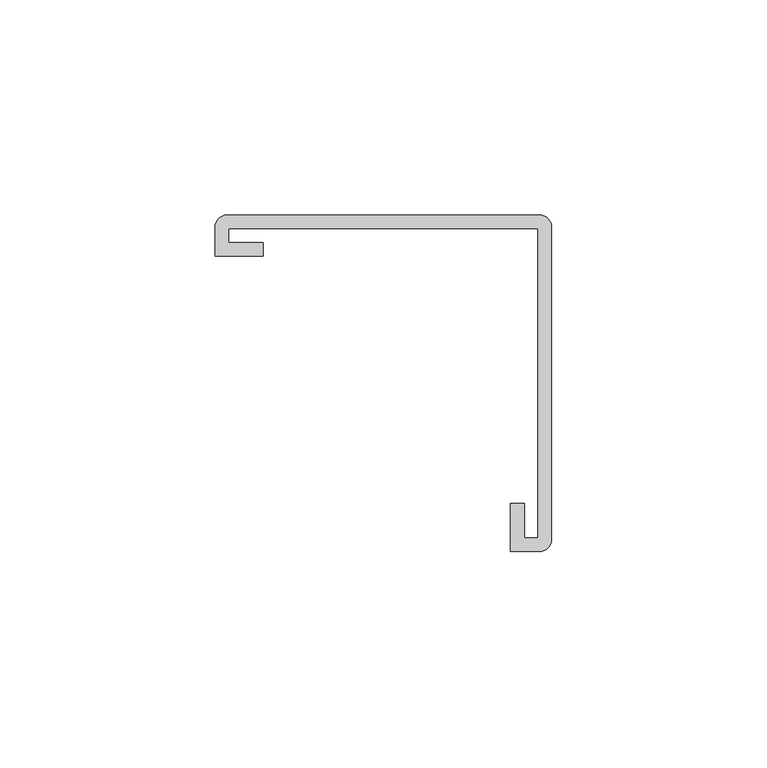
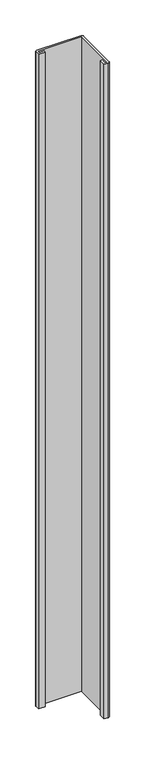
"""IFC4 building model written with IfcOpenShell, lengths in millimetres: furniture geometry."""

from ifc_helpers import new_model, si_unit, point, frame, frame_2d, origin, place, context, project, spatial, polyline, circle_curve, trimmed, segment, composite_curve, outline, extrude, source, transform, mapped, element, save


def furniture_bc0e15b3(model_context):
    return source(origin(), model_context, "Body", "SweptSolid", [
        extrude(outline(composite_curve([segment(polyline([(-39.0921875, 29.5671875), (-39.0921875, 36.3108875)]), True, "CONTINUOUS"), segment(trimmed(circle_curve(frame_2d((-36.3108875, 36.3108875)), 2.7813), [point((-39.0921875, 36.3108875))], [point((-36.3108875, 39.0921875))], False, "CARTESIAN"), True, "CONTINUOUS"), segment(polyline([(-36.3108875, 39.0921875), (36.3331141, 39.0921875)]), True, "CONTINUOUS"), segment(trimmed(circle_curve(frame_2d((36.3331141, 36.3330253)), 2.7591622), [point((36.3331141, 39.0921875))], [point((39.0921875, 36.3108875))], False, "CARTESIAN"), True, "CONTINUOUS"), segment(polyline([(39.0921875, 36.3108875), (39.0921875, -36.3331141)]), True, "CONTINUOUS"), segment(trimmed(circle_curve(frame_2d((36.3331141, -36.3331141)), 2.7590734), [point((39.0921875, -36.3331141))], [point((36.3331141, -39.0921875))], False, "CARTESIAN"), True, "CONTINUOUS"), segment(polyline([(36.3331141, -39.0921875), (29.5671875, -39.0921875), (29.5671875, -27.9638121), (32.7421875, -27.9638121), (32.7421875, -35.9171875), (35.9171875, -35.9171875), (35.9171875, 35.9171875), (-35.9171875, 35.9171875), (-35.9171875, 32.7421875), (-27.9161879, 32.7421875), (-27.9161879, 29.5671875), (-39.0921875, 29.5671875)]), True, "CONTINUOUS")], self_intersect=False)), frame((0.0, 0.0, 14.2875), z_axis=(0.0, 0.0, 1.0), x_axis=(1.0, 0.0, 0.0)), (0.0, 0.0, 1.0), 1136.0546875),
    ])


if __name__ == "__main__":
    model = new_model("IFC4")
    model_context = context("Model", 3, world=origin())
    ifc_project = project(units=[si_unit("LENGTHUNIT", "METRE", prefix="MILLI")], contexts=[model_context])
    site = spatial("IfcSite", under=ifc_project)
    building = spatial("IfcBuilding", under=site)
    placement = place(None, origin())
    furniture_shape = furniture_bc0e15b3(model_context)
    element("IfcFurniture", 1, at=placement, inside=building, context=model_context, shape_type="MappedRepresentation", body=[
        mapped(furniture_shape, transform((0.0, 0.0, 0.0), x_axis=(1.0, 0.0, 0.0), y_axis=(0.0, 1.0, 0.0), z_axis=(0.0, 0.0, 1.0))),
    ])
    save(model, "model.ifc")
